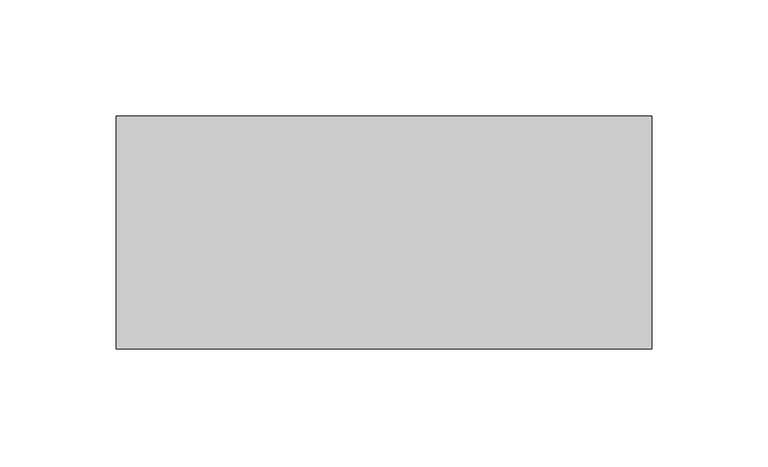
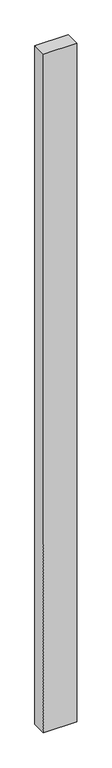
"""IFC4 building model written with IfcOpenShell, lengths in millimetres: proxy geometry."""

from ifc_helpers import new_model, si_unit, frame, origin, place, context, project, spatial, polyline, outline, extrude, source, transform, mapped, element, save


def generic_models_74a7869a(model_context):
    return source(origin(), model_context, "Body", "SweptSolid", [
        extrude(outline(polyline([(230.0, 100.0), (230.0, 0.0), (0.0, 0.0), (0.0, 100.0), (230.0, 100.0)])), frame((0.0, 0.0, -4950.0), z_axis=(0.0, 0.0, 1.0), x_axis=(1.0, 0.0, 0.0)), (0.0, 0.0, 1.0), 4950.0),
    ])


if __name__ == "__main__":
    model = new_model("IFC4")
    model_context = context("Model", 3, world=origin())
    ifc_project = project(units=[si_unit("LENGTHUNIT", "METRE", prefix="MILLI")], contexts=[model_context])
    site = spatial("IfcSite", under=ifc_project)
    building = spatial("IfcBuilding", under=site)
    placement = place(None, origin())
    generic_models_shape = generic_models_74a7869a(model_context)
    element("IfcBuildingElementProxy", 1, Name="Generic Models", at=placement, inside=building, context=model_context, shape_type="MappedRepresentation", body=[
        mapped(generic_models_shape, transform((0.0, 0.0, 0.0), x_axis=(1.0, 0.0, 0.0), y_axis=(0.0, 1.0, 0.0), z_axis=(0.0, 0.0, 1.0))),
    ])
    save(model, "model.ifc")
